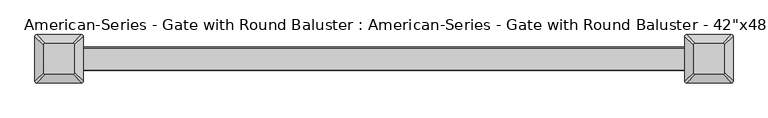
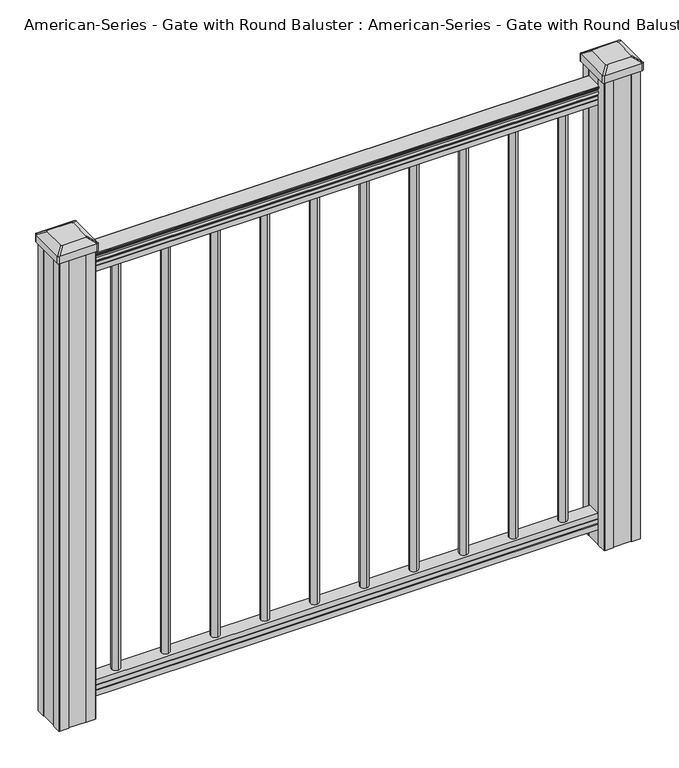
"""IFC4 building model written with IfcOpenShell, lengths in millimetres: proxy geometry."""

from ifc_helpers import new_model, si_unit, point, frame, frame_2d, origin, place, context, project, spatial, polyline, circle_curve, trimmed, segment, composite_curve, outline, extrude, source, transform, mapped, element, save
from ifc_brep_helpers import plane_surface, extruded_surface, advanced_brep


def proxy_0b06a999(model_context):
    return source(origin(), model_context, "Body", "SolidModel", [
        extrude(outline(composite_curve([segment(trimmed(circle_curve(frame_2d((388.9375, 0.0)), 9.525), [point((388.9375, 9.525))], [point((398.4625, 0.0))], False, "CARTESIAN"), True, "CONTINUOUS"), segment(trimmed(circle_curve(frame_2d((388.9375, 0.0)), 9.525), [point((398.4625, 0.0))], [point((388.9375, -9.525))], False, "CARTESIAN"), True, "CONTINUOUS"), segment(trimmed(circle_curve(frame_2d((388.9375, 0.0)), 9.525), [point((388.9375, -9.525))], [point((379.4125, 0.0))], False, "CARTESIAN"), True, "CONTINUOUS"), segment(trimmed(circle_curve(frame_2d((388.9375, 0.0)), 9.525), [point((379.4125, 0.0))], [point((388.9375, 9.525))], False, "CARTESIAN"), True, "CONTINUOUS")], self_intersect=False)), frame((0.0, 0.0, 101.6), z_axis=(0.0, 0.0, 1.0), x_axis=(1.0, 0.0, 0.0)), (0.0, 0.0, 1.0), 965.2),
        extrude(outline(composite_curve([segment(trimmed(circle_curve(frame_2d((277.8125, 0.0)), 9.525), [point((277.8125, 9.525))], [point((287.3375, 0.0))], False, "CARTESIAN"), True, "CONTINUOUS"), segment(trimmed(circle_curve(frame_2d((277.8125, 0.0)), 9.525), [point((287.3375, 0.0))], [point((277.8125, -9.525))], False, "CARTESIAN"), True, "CONTINUOUS"), segment(trimmed(circle_curve(frame_2d((277.8125, 0.0)), 9.525), [point((277.8125, -9.525))], [point((268.2875, 0.0))], False, "CARTESIAN"), True, "CONTINUOUS"), segment(trimmed(circle_curve(frame_2d((277.8125, 0.0)), 9.525), [point((268.2875, 0.0))], [point((277.8125, 9.525))], False, "CARTESIAN"), True, "CONTINUOUS")], self_intersect=False)), frame((0.0, 0.0, 101.6), z_axis=(0.0, 0.0, 1.0), x_axis=(1.0, 0.0, 0.0)), (0.0, 0.0, 1.0), 965.2),
        extrude(outline(composite_curve([segment(trimmed(circle_curve(frame_2d((166.6875, 0.0)), 9.525), [point((166.6875, 9.525))], [point((176.2125, 0.0))], False, "CARTESIAN"), True, "CONTINUOUS"), segment(trimmed(circle_curve(frame_2d((166.6875, 0.0)), 9.525), [point((176.2125, 0.0))], [point((166.6875, -9.525))], False, "CARTESIAN"), True, "CONTINUOUS"), segment(trimmed(circle_curve(frame_2d((166.6875, 0.0)), 9.525), [point((166.6875, -9.525))], [point((157.1625, 0.0))], False, "CARTESIAN"), True, "CONTINUOUS"), segment(trimmed(circle_curve(frame_2d((166.6875, 0.0)), 9.525), [point((157.1625, 0.0))], [point((166.6875, 9.525))], False, "CARTESIAN"), True, "CONTINUOUS")], self_intersect=False)), frame((0.0, 0.0, 101.6), z_axis=(0.0, 0.0, 1.0), x_axis=(1.0, 0.0, 0.0)), (0.0, 0.0, 1.0), 965.2),
        extrude(outline(composite_curve([segment(trimmed(circle_curve(frame_2d((55.5625, 0.0)), 9.525), [point((55.5625, 9.525))], [point((65.0875, 0.0))], False, "CARTESIAN"), True, "CONTINUOUS"), segment(trimmed(circle_curve(frame_2d((55.5625, 0.0)), 9.525), [point((65.0875, 0.0))], [point((55.5625, -9.525))], False, "CARTESIAN"), True, "CONTINUOUS"), segment(trimmed(circle_curve(frame_2d((55.5625, 0.0)), 9.525), [point((55.5625, -9.525))], [point((46.0375, 0.0))], False, "CARTESIAN"), True, "CONTINUOUS"), segment(trimmed(circle_curve(frame_2d((55.5625, 0.0)), 9.525), [point((46.0375, 0.0))], [point((55.5625, 9.525))], False, "CARTESIAN"), True, "CONTINUOUS")], self_intersect=False)), frame((0.0, 0.0, 101.6), z_axis=(0.0, 0.0, 1.0), x_axis=(1.0, 0.0, 0.0)), (0.0, 0.0, 1.0), 965.2),
        extrude(outline(composite_curve([segment(trimmed(circle_curve(frame_2d((-55.5625, 0.0)), 9.525), [point((-55.5625, 9.525))], [point((-46.0375, 0.0))], False, "CARTESIAN"), True, "CONTINUOUS"), segment(trimmed(circle_curve(frame_2d((-55.5625, 0.0)), 9.525), [point((-46.0375, 0.0))], [point((-55.5625, -9.525))], False, "CARTESIAN"), True, "CONTINUOUS"), segment(trimmed(circle_curve(frame_2d((-55.5625, 0.0)), 9.525), [point((-55.5625, -9.525))], [point((-65.0875, 0.0))], False, "CARTESIAN"), True, "CONTINUOUS"), segment(trimmed(circle_curve(frame_2d((-55.5625, 0.0)), 9.525), [point((-65.0875, 0.0))], [point((-55.5625, 9.525))], False, "CARTESIAN"), True, "CONTINUOUS")], self_intersect=False)), frame((0.0, 0.0, 101.6), z_axis=(0.0, 0.0, 1.0), x_axis=(1.0, 0.0, 0.0)), (0.0, 0.0, 1.0), 965.2),
        extrude(outline(composite_curve([segment(trimmed(circle_curve(frame_2d((-166.6875, 0.0)), 9.525), [point((-166.6875, 9.525))], [point((-157.1625, 0.0))], False, "CARTESIAN"), True, "CONTINUOUS"), segment(trimmed(circle_curve(frame_2d((-166.6875, 0.0)), 9.525), [point((-157.1625, 0.0))], [point((-166.6875, -9.525))], False, "CARTESIAN"), True, "CONTINUOUS"), segment(trimmed(circle_curve(frame_2d((-166.6875, 0.0)), 9.525), [point((-166.6875, -9.525))], [point((-176.2125, 0.0))], False, "CARTESIAN"), True, "CONTINUOUS"), segment(trimmed(circle_curve(frame_2d((-166.6875, 0.0)), 9.525), [point((-176.2125, 0.0))], [point((-166.6875, 9.525))], False, "CARTESIAN"), True, "CONTINUOUS")], self_intersect=False)), frame((0.0, 0.0, 101.6), z_axis=(0.0, 0.0, 1.0), x_axis=(1.0, 0.0, 0.0)), (0.0, 0.0, 1.0), 965.2),
        extrude(outline(composite_curve([segment(trimmed(circle_curve(frame_2d((-277.8125, 0.0)), 9.525), [point((-277.8125, 9.525))], [point((-268.2875, 0.0))], False, "CARTESIAN"), True, "CONTINUOUS"), segment(trimmed(circle_curve(frame_2d((-277.8125, 0.0)), 9.525), [point((-268.2875, 0.0))], [point((-277.8125, -9.525))], False, "CARTESIAN"), True, "CONTINUOUS"), segment(trimmed(circle_curve(frame_2d((-277.8125, 0.0)), 9.525), [point((-277.8125, -9.525))], [point((-287.3375, 0.0))], False, "CARTESIAN"), True, "CONTINUOUS"), segment(trimmed(circle_curve(frame_2d((-277.8125, 0.0)), 9.525), [point((-287.3375, 0.0))], [point((-277.8125, 9.525))], False, "CARTESIAN"), True, "CONTINUOUS")], self_intersect=False)), frame((0.0, 0.0, 101.6), z_axis=(0.0, 0.0, 1.0), x_axis=(1.0, 0.0, 0.0)), (0.0, 0.0, 1.0), 965.2),
        extrude(outline(composite_curve([segment(trimmed(circle_curve(frame_2d((-388.9375, 0.0)), 9.525), [point((-388.9375, 9.525))], [point((-379.4125, 0.0))], False, "CARTESIAN"), True, "CONTINUOUS"), segment(trimmed(circle_curve(frame_2d((-388.9375, 0.0)), 9.525), [point((-379.4125, 0.0))], [point((-388.9375, -9.525))], False, "CARTESIAN"), True, "CONTINUOUS"), segment(trimmed(circle_curve(frame_2d((-388.9375, 0.0)), 9.525), [point((-388.9375, -9.525))], [point((-398.4625, 0.0))], False, "CARTESIAN"), True, "CONTINUOUS"), segment(trimmed(circle_curve(frame_2d((-388.9375, 0.0)), 9.525), [point((-398.4625, 0.0))], [point((-388.9375, 9.525))], False, "CARTESIAN"), True, "CONTINUOUS")], self_intersect=False)), frame((0.0, 0.0, 101.6), z_axis=(0.0, 0.0, 1.0), x_axis=(1.0, 0.0, 0.0)), (0.0, 0.0, 1.0), 965.2),
        extrude(outline(composite_curve([segment(trimmed(circle_curve(frame_2d((500.0625, 0.0)), 9.525), [point((500.0625, 9.525))], [point((509.5875, 0.0))], False, "CARTESIAN"), True, "CONTINUOUS"), segment(trimmed(circle_curve(frame_2d((500.0625, 0.0)), 9.525), [point((509.5875, 0.0))], [point((500.0625, -9.525))], False, "CARTESIAN"), True, "CONTINUOUS"), segment(trimmed(circle_curve(frame_2d((500.0625, 0.0)), 9.525), [point((500.0625, -9.525))], [point((490.5375, 0.0))], False, "CARTESIAN"), True, "CONTINUOUS"), segment(trimmed(circle_curve(frame_2d((500.0625, 0.0)), 9.525), [point((490.5375, 0.0))], [point((500.0625, 9.525))], False, "CARTESIAN"), True, "CONTINUOUS")], self_intersect=False)), frame((0.0, 0.0, 101.6), z_axis=(0.0, 0.0, 1.0), x_axis=(1.0, 0.0, 0.0)), (0.0, 0.0, 1.0), 965.2),
        extrude(outline(composite_curve([segment(trimmed(circle_curve(frame_2d((-500.0625, 0.0)), 9.525), [point((-500.0625, 9.525))], [point((-490.5375, 0.0))], False, "CARTESIAN"), True, "CONTINUOUS"), segment(trimmed(circle_curve(frame_2d((-500.0625, 0.0)), 9.525), [point((-490.5375, 0.0))], [point((-500.0625, -9.525))], False, "CARTESIAN"), True, "CONTINUOUS"), segment(trimmed(circle_curve(frame_2d((-500.0625, 0.0)), 9.525), [point((-500.0625, -9.525))], [point((-509.5875, 0.0))], False, "CARTESIAN"), True, "CONTINUOUS"), segment(trimmed(circle_curve(frame_2d((-500.0625, 0.0)), 9.525), [point((-509.5875, 0.0))], [point((-500.0625, 9.525))], False, "CARTESIAN"), True, "CONTINUOUS")], self_intersect=False)), frame((0.0, 0.0, 101.6), z_axis=(0.0, 0.0, 1.0), x_axis=(1.0, 0.0, 0.0)), (0.0, 0.0, 1.0), 965.2),
        extrude(outline(composite_curve([segment(polyline([(1090.8043297, 17.4328287), (1092.692412, 17.4328287)]), True, "CONTINUOUS"), segment(trimmed(circle_curve(frame_2d((1098.4506383, 11.1180755)), 8.545951), [point((1092.692412, 17.4328287))], [point((1094.2546695, 18.563015))], False, "CARTESIAN"), True, "CONTINUOUS"), segment(trimmed(circle_curve(frame_2d((1097.8636577, 11.5551384)), 7.882584), [point((1094.2546695, 18.563015))], [point((1101.4726458, 18.563015))], False, "CARTESIAN"), True, "CONTINUOUS"), segment(trimmed(circle_curve(frame_2d((1103.7112527, 22.0684625)), 4.1592695), [point((1101.4726458, 18.563015))], [point((1103.9060812, 17.9137586))], True, "CARTESIAN"), True, "CONTINUOUS"), segment(trimmed(circle_curve(frame_2d((1103.6508864, 23.3557691)), 5.4479907), [point((1103.9060812, 17.9137586))], [point((1108.2362083, 20.4137586))], True, "CARTESIAN"), True, "CONTINUOUS"), segment(trimmed(circle_curve(frame_2d((1108.233395, 22.1226107)), 1.7088543), [point((1108.2362083, 20.4137586))], [point((1109.9157972, 21.8231011))], True, "CARTESIAN"), True, "CONTINUOUS"), segment(trimmed(circle_curve(frame_2d((1111.0205318, 20.5057106)), 1.7192895), [point((1109.9157972, 21.8231011))], [point((1111.0205318, 22.2250001))], False, "CARTESIAN"), True, "CONTINUOUS"), segment(polyline([(1111.0205318, 22.2250001), (1112.3608158, 22.225)]), True, "CONTINUOUS"), segment(trimmed(circle_curve(frame_2d((1112.3608158, 20.6715528)), 1.5534472), [point((1112.3608158, 22.225))], [point((1113.914263, 20.6715528))], False, "CARTESIAN"), True, "CONTINUOUS"), segment(polyline([(1113.914263, 20.6715528), (1113.914263, -20.6715528)]), True, "CONTINUOUS"), segment(trimmed(circle_curve(frame_2d((1112.3608158, -20.6715528)), 1.5534472), [point((1113.914263, -20.6715528))], [point((1112.3608158, -22.225))], False, "CARTESIAN"), True, "CONTINUOUS"), segment(polyline([(1112.3608158, -22.225), (1111.0205318, -22.225)]), True, "CONTINUOUS"), segment(trimmed(circle_curve(frame_2d((1111.0205318, -20.5057106)), 1.7192895), [point((1111.0205318, -22.225))], [point((1109.9157972, -21.8231011))], False, "CARTESIAN"), True, "CONTINUOUS"), segment(trimmed(circle_curve(frame_2d((1108.233395, -22.1226107)), 1.7088543), [point((1109.9157972, -21.8231011))], [point((1108.2362083, -20.4137586))], True, "CARTESIAN"), True, "CONTINUOUS"), segment(trimmed(circle_curve(frame_2d((1103.6508864, -23.3557691)), 5.4479907), [point((1108.2362083, -20.4137586))], [point((1103.9060812, -17.9137586))], True, "CARTESIAN"), True, "CONTINUOUS"), segment(trimmed(circle_curve(frame_2d((1103.7112527, -22.0684625)), 4.1592695), [point((1103.9060812, -17.9137586))], [point((1101.4726458, -18.563015))], True, "CARTESIAN"), True, "CONTINUOUS"), segment(trimmed(circle_curve(frame_2d((1097.8636577, -11.5551384)), 7.882584), [point((1101.4726458, -18.563015))], [point((1094.2546695, -18.563015))], False, "CARTESIAN"), True, "CONTINUOUS"), segment(trimmed(circle_curve(frame_2d((1098.4506383, -11.1180755)), 8.545951), [point((1094.2546695, -18.563015))], [point((1092.692412, -17.4328287))], False, "CARTESIAN"), True, "CONTINUOUS"), segment(polyline([(1092.692412, -17.4328287), (1090.8043297, -17.4328287)]), True, "CONTINUOUS"), segment(trimmed(circle_curve(frame_2d((1090.8043297, -16.1459144)), 1.2869144), [point((1090.8043297, -17.4328287))], [point((1090.8043297, -14.859))], False, "CARTESIAN"), True, "CONTINUOUS"), segment(polyline([(1090.8043297, -14.859), (1080.3048283, -14.859), (1079.2888283, -15.875), (1066.8, -15.875), (1066.8, 15.875), (1079.131013, 15.875), (1080.147013, 14.859), (1090.8043297, 14.859)]), True, "CONTINUOUS"), segment(trimmed(circle_curve(frame_2d((1090.8043297, 16.1459144)), 1.2869144), [point((1090.8043297, 14.859))], [point((1090.8043297, 17.4328287))], False, "CARTESIAN"), True, "CONTINUOUS")], self_intersect=False)), frame((609.6, 0.0, 0.0), z_axis=(-1.0, 0.0, 0.0), x_axis=(0.0, 0.0, 1.0)), (0.0, 0.0, 1.0), 1219.2),
        extrude(outline(polyline([(-15.9124869, 76.0541976), (-14.8964869, 77.3546183), (-14.8964869, 87.7141717), (-15.9124869, 89.0624492), (-15.9124869, 101.5958781), (15.8375131, 101.5958781), (15.8375131, 89.0458024), (14.8215131, 87.6975248), (14.8215131, 77.3858283), (15.8375131, 76.0375508), (15.8375131, 63.5), (-15.9124869, 63.5), (-15.9124869, 76.0541976)])), frame((-609.6, 0.0, 0.0), z_axis=(1.0, 0.0, 0.0), x_axis=(0.0, 1.0, 0.0)), (0.0, 0.0, 1.0), 1219.2),
        advanced_brep(
        [(583.803125, 28.971875, 1165.352), (580.628125, 25.796875, 1165.352), (580.628125, -25.796875, 1165.352), (583.803125, -28.971875, 1165.352), (635.396875, -28.971875, 1165.352), (638.571875, -25.796875, 1165.352), (638.571875, 25.796875, 1165.352), (635.396875, 28.971875, 1165.352), (567.53125, 45.24375, 1154.049), (651.66875, 45.24375, 1154.049), (654.84375, 42.06875, 1154.049), (654.84375, -42.06875, 1154.049), (651.66875, -45.24375, 1154.049), (567.53125, -45.24375, 1154.049), (564.35625, -42.06875, 1154.049), (564.35625, 42.06875, 1154.049)],
        [
            (0, 1, circle_curve(frame((583.803125, 25.796875, 1165.352), z_axis=(0.0, 0.0, 1.0), x_axis=(0.0, -1.0, 0.0)), 3.175)),
            (1, 2),
            (2, 3, circle_curve(frame((583.803125, -25.796875, 1165.352), z_axis=(0.0, 0.0, 1.0), x_axis=(0.0, -1.0, 0.0)), 3.175)),
            (3, 4),
            (4, 5, circle_curve(frame((635.396875, -25.796875, 1165.352), z_axis=(0.0, 0.0, 1.0), x_axis=(0.0, -1.0, 0.0)), 3.175)),
            (5, 6),
            (6, 7, circle_curve(frame((635.396875, 25.796875, 1165.352), z_axis=(0.0, 0.0, 1.0), x_axis=(0.0, -1.0, 0.0)), 3.175)),
            (7, 0),
            (8, 9),
            (9, 10, circle_curve(frame((651.66875, 42.06875, 1154.049), z_axis=(0.0, 0.0, -1.0), x_axis=(0.0, -1.0, 0.0)), 3.175)),
            (10, 11),
            (11, 12, circle_curve(frame((651.66875, -42.06875, 1154.049), z_axis=(0.0, 0.0, -1.0), x_axis=(0.0, -1.0, 0.0)), 3.175)),
            (12, 13),
            (13, 14, circle_curve(frame((567.53125, -42.06875, 1154.049), z_axis=(0.0, 0.0, -1.0), x_axis=(0.0, -1.0, 0.0)), 3.175)),
            (14, 15),
            (15, 8, circle_curve(frame((567.53125, 42.06875, 1154.049), z_axis=(0.0, 0.0, -1.0), x_axis=(0.0, -1.0, 0.0)), 3.175)),
            (15, 1),
            (0, 8),
            (14, 2),
            (13, 3),
            (12, 4),
            (11, 5),
            (10, 6),
            (9, 7),
        ],
        [
            plane_surface(frame((609.6, 0.0, 1165.352), z_axis=(0.0, 0.0, 1.0), x_axis=(-1.0, 0.0, 0.0))),
            plane_surface(frame((609.6, 0.0, 1154.049), z_axis=(0.0, 0.0, -1.0), x_axis=(-1.0, 0.0, 0.0))),
            extruded_surface(trimmed(circle_curve(frame((567.53125, 42.06875, 1154.049), z_axis=(0.0, 0.0, 1.0), x_axis=(0.0, -1.0, 0.0)), 3.175), [point((567.53125, 45.24375, 1154.049))], [point((564.35625, 42.06875, 1154.049))], True, "CARTESIAN"), (16.271875000000023, -16.271875, 11.303000000000111), 25.637972638866227),
            plane_surface(frame((564.35625, 0.0, 1154.049), z_axis=(-0.5705009161540777, 0.0, 0.8212969649690409), x_axis=(0.0, -1.0, 0.0))),
            extruded_surface(trimmed(circle_curve(frame((567.53125, -42.06875, 1154.049), z_axis=(0.0, 0.0, 1.0), x_axis=(0.0, -1.0, 0.0)), 3.175), [point((564.35625, -42.06875, 1154.049))], [point((567.53125, -45.24375, 1154.049))], True, "CARTESIAN"), (16.271875000000023, 16.271875, 11.303000000000111), 25.637972638866227),
            plane_surface(frame((609.6, -45.24375, 1154.049), z_axis=(0.0, -0.5705009161540291, 0.8212969649690747), x_axis=(1.0, 0.0, 0.0))),
            extruded_surface(trimmed(circle_curve(frame((651.66875, -42.06875, 1154.049), z_axis=(0.0, 0.0, 1.0), x_axis=(0.0, -1.0, 0.0)), 3.175), [point((651.66875, -45.24375, 1154.049))], [point((654.84375, -42.06875, 1154.049))], True, "CARTESIAN"), (-16.271875000000023, 16.271875, 11.303000000000111), 25.637972638866227),
            plane_surface(frame((654.84375, 0.0, 1154.049), z_axis=(0.5705009161540143, 0.0, 0.821296964969085), x_axis=(0.0, 1.0, 0.0))),
            extruded_surface(trimmed(circle_curve(frame((651.66875, 42.06875, 1154.049), z_axis=(0.0, 0.0, 1.0), x_axis=(0.0, -1.0, 0.0)), 3.175), [point((654.84375, 42.06875, 1154.049))], [point((651.66875, 45.24375, 1154.049))], True, "CARTESIAN"), (-16.271875000000023, -16.271875, 11.303000000000111), 25.637972638866227),
            plane_surface(frame((609.6, 45.24375, 1154.049), z_axis=(0.0, 0.570500916154034, 0.8212969649690713), x_axis=(-1.0, 0.0, 0.0))),
        ],
        [
            (0, [[1, 2, 3, 4, 5, 6, 7, 8]]),
            (1, [[9, 10, 11, 12, 13, 14, 15, 16]]),
            (2, [[-16, 17, -1, 18]]),
            (3, [[-15, 19, -2, -17]]),
            (4, [[-14, 20, -3, -19]]),
            (5, [[-13, 21, -4, -20]]),
            (6, [[-12, 22, -5, -21]]),
            (7, [[-11, 23, -6, -22]]),
            (8, [[-10, 24, -7, -23]]),
            (9, [[-9, -18, -8, -24]]),
        ],
    ),
        extrude(outline(composite_curve([segment(polyline([(567.53125, 45.24375), (651.66875, 45.24375)]), True, "CONTINUOUS"), segment(trimmed(circle_curve(frame_2d((651.66875, 42.06875)), 3.175), [point((651.66875, 45.24375))], [point((654.84375, 42.06875))], False, "CARTESIAN"), True, "CONTINUOUS"), segment(polyline([(654.84375, 42.06875), (654.84375, -42.06875)]), True, "CONTINUOUS"), segment(trimmed(circle_curve(frame_2d((651.66875, -42.06875)), 3.175), [point((654.84375, -42.06875))], [point((651.66875, -45.24375))], False, "CARTESIAN"), True, "CONTINUOUS"), segment(polyline([(651.66875, -45.24375), (567.53125, -45.24375)]), True, "CONTINUOUS"), segment(trimmed(circle_curve(frame_2d((567.53125, -42.06875)), 3.175), [point((567.53125, -45.24375))], [point((564.35625, -42.06875))], False, "CARTESIAN"), True, "CONTINUOUS"), segment(polyline([(564.35625, -42.06875), (564.35625, 42.06875)]), True, "CONTINUOUS"), segment(trimmed(circle_curve(frame_2d((567.53125, 42.06875)), 3.175), [point((564.35625, 42.06875))], [point((567.53125, 45.24375))], False, "CARTESIAN"), True, "CONTINUOUS")], self_intersect=False)), frame((0.0, 0.0, 1136.777), z_axis=(0.0, 0.0, 1.0), x_axis=(1.0, 0.0, 0.0)), (0.0, 0.0, 1.0), 17.272),
        extrude(outline(polyline([(569.9125, 41.275), (589.534, 41.275), (590.296, 39.6875), (628.904, 39.6875), (629.666, 41.275), (649.2875, 41.275), (650.875, 39.6875), (650.875, 20.066), (649.2875, 19.304), (649.2875, -19.304), (650.875, -20.066), (650.875, -39.6875), (649.2875, -41.275), (629.666, -41.275), (628.904, -39.6875), (590.296, -39.6875), (589.534, -41.275), (569.9125, -41.275), (568.325, -39.6875), (568.325, -20.066), (569.9125, -19.304), (569.9125, 19.304), (568.325, 20.066), (568.325, 39.6875), (569.9125, 41.275)])), frame((0.0, 0.0, 28.702), z_axis=(0.0, 0.0, 1.0), x_axis=(1.0, 0.0, 0.0)), (0.0, 0.0, 1.0), 1108.075),
        advanced_brep(
        [(-635.396875, 28.971875, 1165.352), (-638.571875, 25.796875, 1165.352), (-638.571875, -25.796875, 1165.352), (-635.396875, -28.971875, 1165.352), (-583.803125, -28.971875, 1165.352), (-580.628125, -25.796875, 1165.352), (-580.628125, 25.796875, 1165.352), (-583.803125, 28.971875, 1165.352), (-651.66875, 45.24375, 1154.049), (-567.53125, 45.24375, 1154.049), (-564.35625, 42.06875, 1154.049), (-564.35625, -42.06875, 1154.049), (-567.53125, -45.24375, 1154.049), (-651.66875, -45.24375, 1154.049), (-654.84375, -42.06875, 1154.049), (-654.84375, 42.06875, 1154.049)],
        [
            (0, 1, circle_curve(frame((-635.396875, 25.796875, 1165.352), z_axis=(0.0, 0.0, 1.0), x_axis=(0.0, -1.0, 0.0)), 3.175)),
            (1, 2),
            (2, 3, circle_curve(frame((-635.396875, -25.796875, 1165.352), z_axis=(0.0, 0.0, 1.0), x_axis=(0.0, -1.0, 0.0)), 3.175)),
            (3, 4),
            (4, 5, circle_curve(frame((-583.803125, -25.796875, 1165.352), z_axis=(0.0, 0.0, 1.0), x_axis=(0.0, -1.0, 0.0)), 3.175)),
            (5, 6),
            (6, 7, circle_curve(frame((-583.803125, 25.796875, 1165.352), z_axis=(0.0, 0.0, 1.0), x_axis=(0.0, -1.0, 0.0)), 3.175)),
            (7, 0),
            (8, 9),
            (9, 10, circle_curve(frame((-567.53125, 42.06875, 1154.049), z_axis=(0.0, 0.0, -1.0), x_axis=(0.0, -1.0, 0.0)), 3.175)),
            (10, 11),
            (11, 12, circle_curve(frame((-567.53125, -42.06875, 1154.049), z_axis=(0.0, 0.0, -1.0), x_axis=(0.0, -1.0, 0.0)), 3.175)),
            (12, 13),
            (13, 14, circle_curve(frame((-651.66875, -42.06875, 1154.049), z_axis=(0.0, 0.0, -1.0), x_axis=(0.0, -1.0, 0.0)), 3.175)),
            (14, 15),
            (15, 8, circle_curve(frame((-651.66875, 42.06875, 1154.049), z_axis=(0.0, 0.0, -1.0), x_axis=(0.0, -1.0, 0.0)), 3.175)),
            (15, 1),
            (0, 8),
            (14, 2),
            (13, 3),
            (12, 4),
            (11, 5),
            (10, 6),
            (9, 7),
        ],
        [
            plane_surface(frame((-609.6, 0.0, 1165.352), z_axis=(0.0, 0.0, 1.0), x_axis=(-1.0, 0.0, 0.0))),
            plane_surface(frame((-609.6, 0.0, 1154.049), z_axis=(0.0, 0.0, -1.0), x_axis=(-1.0, 0.0, 0.0))),
            extruded_surface(trimmed(circle_curve(frame((-651.66875, 42.06875, 1154.049), z_axis=(0.0, 0.0, 1.0), x_axis=(0.0, -1.0, 0.0)), 3.175), [point((-651.66875, 45.24375, 1154.049))], [point((-654.84375, 42.06875, 1154.049))], True, "CARTESIAN"), (16.271875000000023, -16.271875, 11.303000000000111), 25.637972638866227),
            plane_surface(frame((-654.84375, 0.0, 1154.049), z_axis=(-0.5705009161540777, 0.0, 0.8212969649690409), x_axis=(0.0, -1.0, 0.0))),
            extruded_surface(trimmed(circle_curve(frame((-651.66875, -42.06875, 1154.049), z_axis=(0.0, 0.0, 1.0), x_axis=(0.0, -1.0, 0.0)), 3.175), [point((-654.84375, -42.06875, 1154.049))], [point((-651.66875, -45.24375, 1154.049))], True, "CARTESIAN"), (16.271875000000023, 16.271875, 11.303000000000111), 25.637972638866227),
            plane_surface(frame((-609.6, -45.24375, 1154.049), z_axis=(0.0, -0.5705009161540291, 0.8212969649690747), x_axis=(1.0, 0.0, 0.0))),
            extruded_surface(trimmed(circle_curve(frame((-567.53125, -42.06875, 1154.049), z_axis=(0.0, 0.0, 1.0), x_axis=(0.0, -1.0, 0.0)), 3.175), [point((-567.53125, -45.24375, 1154.049))], [point((-564.35625, -42.06875, 1154.049))], True, "CARTESIAN"), (-16.271875000000023, 16.271875, 11.303000000000111), 25.637972638866227),
            plane_surface(frame((-564.35625, 0.0, 1154.049), z_axis=(0.5705009161540143, 0.0, 0.821296964969085), x_axis=(0.0, 1.0, 0.0))),
            extruded_surface(trimmed(circle_curve(frame((-567.53125, 42.06875, 1154.049), z_axis=(0.0, 0.0, 1.0), x_axis=(0.0, -1.0, 0.0)), 3.175), [point((-564.35625, 42.06875, 1154.049))], [point((-567.53125, 45.24375, 1154.049))], True, "CARTESIAN"), (-16.271875000000023, -16.271875, 11.303000000000111), 25.637972638866227),
            plane_surface(frame((-609.6, 45.24375, 1154.049), z_axis=(0.0, 0.570500916154034, 0.8212969649690713), x_axis=(-1.0, 0.0, 0.0))),
        ],
        [
            (0, [[1, 2, 3, 4, 5, 6, 7, 8]]),
            (1, [[9, 10, 11, 12, 13, 14, 15, 16]]),
            (2, [[-16, 17, -1, 18]]),
            (3, [[-15, 19, -2, -17]]),
            (4, [[-14, 20, -3, -19]]),
            (5, [[-13, 21, -4, -20]]),
            (6, [[-12, 22, -5, -21]]),
            (7, [[-11, 23, -6, -22]]),
            (8, [[-10, 24, -7, -23]]),
            (9, [[-9, -18, -8, -24]]),
        ],
    ),
        extrude(outline(composite_curve([segment(polyline([(-651.66875, 45.24375), (-567.53125, 45.24375)]), True, "CONTINUOUS"), segment(trimmed(circle_curve(frame_2d((-567.53125, 42.06875)), 3.175), [point((-567.53125, 45.24375))], [point((-564.35625, 42.06875))], False, "CARTESIAN"), True, "CONTINUOUS"), segment(polyline([(-564.35625, 42.06875), (-564.35625, -42.06875)]), True, "CONTINUOUS"), segment(trimmed(circle_curve(frame_2d((-567.53125, -42.06875)), 3.175), [point((-564.35625, -42.06875))], [point((-567.53125, -45.24375))], False, "CARTESIAN"), True, "CONTINUOUS"), segment(polyline([(-567.53125, -45.24375), (-651.66875, -45.24375)]), True, "CONTINUOUS"), segment(trimmed(circle_curve(frame_2d((-651.66875, -42.06875)), 3.175), [point((-651.66875, -45.24375))], [point((-654.84375, -42.06875))], False, "CARTESIAN"), True, "CONTINUOUS"), segment(polyline([(-654.84375, -42.06875), (-654.84375, 42.06875)]), True, "CONTINUOUS"), segment(trimmed(circle_curve(frame_2d((-651.66875, 42.06875)), 3.175), [point((-654.84375, 42.06875))], [point((-651.66875, 45.24375))], False, "CARTESIAN"), True, "CONTINUOUS")], self_intersect=False)), frame((0.0, 0.0, 1136.777), z_axis=(0.0, 0.0, 1.0), x_axis=(1.0, 0.0, 0.0)), (0.0, 0.0, 1.0), 17.272),
        extrude(outline(polyline([(-649.2875, 41.275), (-629.666, 41.275), (-628.904, 39.6875), (-590.296, 39.6875), (-589.534, 41.275), (-569.9125, 41.275), (-568.325, 39.6875), (-568.325, 20.066), (-569.9125, 19.304), (-569.9125, -19.304), (-568.325, -20.066), (-568.325, -39.6875), (-569.9125, -41.275), (-589.534, -41.275), (-590.296, -39.6875), (-628.904, -39.6875), (-629.666, -41.275), (-649.2875, -41.275), (-650.875, -39.6875), (-650.875, -20.066), (-649.2875, -19.304), (-649.2875, 19.304), (-650.875, 20.066), (-650.875, 39.6875), (-649.2875, 41.275)])), frame((0.0, 0.0, 28.702), z_axis=(0.0, 0.0, 1.0), x_axis=(1.0, 0.0, 0.0)), (0.0, 0.0, 1.0), 1108.075),
    ])


if __name__ == "__main__":
    model = new_model("IFC4")
    model_context = context("Model", 3, world=origin())
    ifc_project = project(units=[si_unit("LENGTHUNIT", "METRE", prefix="MILLI")], contexts=[model_context])
    site = spatial("IfcSite", under=ifc_project)
    building = spatial("IfcBuilding", under=site)
    placement = place(None, origin())
    proxy_shape = proxy_0b06a999(model_context)
    element("IfcBuildingElementProxy", 1, Name="American-Series - Gate with Round Baluster : American-Series - Gate with Round Baluster - 42\"x48\"", ObjectType="American-Series - Gate with Round Baluster : American-Series - Gate with Round Baluster - 42\"x48\"", at=placement, inside=building, context=model_context, shape_type="MappedRepresentation", body=[
        mapped(proxy_shape, transform((0.0, 0.0, 0.0), x_axis=(1.0, 0.0, 0.0), y_axis=(0.0, 1.0, 0.0), z_axis=(0.0, 0.0, 1.0))),
    ])
    save(model, "model.ifc")
